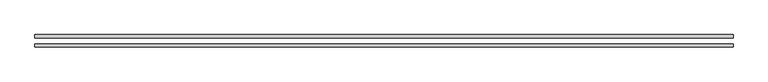
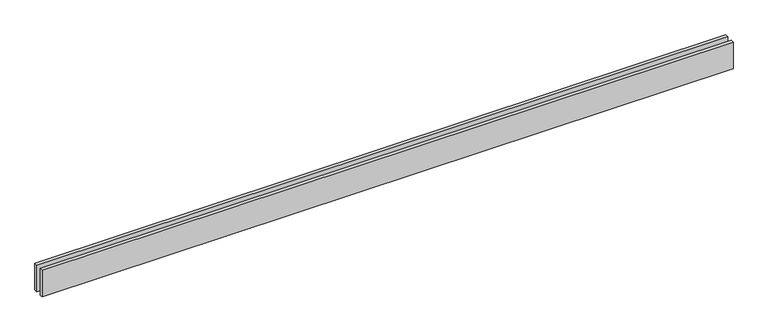
"""IFC4 building model written with IfcOpenShell, lengths in millimetres: proxy geometry."""

import ifcopenshell
import ifcopenshell.guid

model = None  # the IFC model being written
_history = None  # IfcOwnerHistory: only IFC2X3 demands one
_inside = {}  # id of a spatial element -> (the spatial element, [elements in it])
_under = {}  # id of a project, library or spatial element -> (it, [spatial elements below it])
_declared = {}  # id of a project -> (the project, [libraries it declares])
_typed = {}  # id of a type object -> (the type object, [elements of that type])
_made_of = {}  # id of a material, layer set ... -> (it, [elements and type objects made of it])


def new_model(schema):
    """Start an empty IFC model of exactly this schema.

    Asked for "IFC4X3", IfcOpenShell would pick the latest addendum, in which some entities
    have other attributes; the version numbers below select the first issue.
    IFC2X3 requires an IfcOwnerHistory on every rooted entity: one is made here for all.
    """
    global model, _history
    if schema == "IFC4X3":
        model = ifcopenshell.file(schema_version=(4, 3, 0, 0))
    else:
        model = ifcopenshell.file(schema=schema)
    _inside.clear()
    _under.clear()
    _declared.clear()
    _typed.clear()
    _made_of.clear()
    _history = None
    if model.schema == "IFC2X3":
        org = make("IfcOrganization", Name="unknown")
        user = make(
            "IfcPersonAndOrganization",
            ThePerson=make("IfcPerson", FamilyName="unknown"),
            TheOrganization=org,
        )
        app = make(
            "IfcApplication",
            ApplicationDeveloper=org,
            Version="unknown",
            ApplicationFullName="unknown",
            ApplicationIdentifier="unknown",
        )
        _history = make(
            "IfcOwnerHistory",
            OwningUser=user,
            OwningApplication=app,
            ChangeAction="ADDED",
            CreationDate=0,
        )
    return model


def make(cls, **values):
    """One entity of the class cls with the attributes given. An attribute that is None is left unset."""
    return model.create_entity(
        cls, **{name: value for name, value in values.items() if value is not None}
    )


def rooted(cls, **values):
    """An entity with a GlobalId (a new one), such as an element, a storey or a relation."""
    return make(cls, GlobalId=ifcopenshell.guid.new(), OwnerHistory=_history, **values)


def si_unit(unit_type, name, prefix=None):
    """IfcSIUnit, for example si_unit("LENGTHUNIT", "METRE", prefix="MILLI")."""
    return make("IfcSIUnit", UnitType=unit_type, Prefix=prefix, Name=name)


def assignment(units):
    """IfcUnitAssignment: the units of a project."""
    return None if units is None else make("IfcUnitAssignment", Units=units)


def point(xyz):
    """IfcCartesianPoint."""
    return None if xyz is None else make("IfcCartesianPoint", Coordinates=xyz)


def direction(xyz):
    """IfcDirection."""
    return None if xyz is None else make("IfcDirection", DirectionRatios=xyz)


def frame(location, z_axis=None, x_axis=None):
    """IfcAxis2Placement3D, a coordinate frame: its origin and axes. An axis left out is left unset."""
    return make(
        "IfcAxis2Placement3D",
        Location=point(location),
        Axis=direction(z_axis),
        RefDirection=direction(x_axis),
    )


def origin():
    """The frame at (0, 0, 0) with its axes left unset."""
    return frame((0.0, 0.0, 0.0))


def origin_with_axes():
    """The frame at (0, 0, 0) with the z axis (0, 0, 1) and the x axis (1, 0, 0) written out."""
    return frame((0.0, 0.0, 0.0), z_axis=(0.0, 0.0, 1.0), x_axis=(1.0, 0.0, 0.0))


def place(relative_to, where):
    """IfcLocalPlacement: puts the frame where relative to a parent placement (None: the world)."""
    return make(
        "IfcLocalPlacement", PlacementRelTo=relative_to, RelativePlacement=where
    )


def context(
    kind, dimensions, precision=None, world=None, true_north=None, identifier=None
):
    """IfcGeometricRepresentationContext, for example the 3D "Model" context."""
    return make(
        "IfcGeometricRepresentationContext",
        ContextIdentifier=identifier,
        ContextType=kind,
        CoordinateSpaceDimension=dimensions,
        Precision=precision,
        WorldCoordinateSystem=world,
        TrueNorth=true_north,
    )


def project(units=None, contexts=None):
    """IfcProject with its units and contexts."""
    return rooted(
        "IfcProject",
        Name="project",
        RepresentationContexts=contexts,
        UnitsInContext=assignment(units),
    )


def spatial(cls, under=None, at=None, **own):
    """A site, building, storey or space (cls), placed at a placement, below another one or the project."""
    s = rooted(cls, ObjectPlacement=at, **own)
    if under is not None:
        _under.setdefault(under.id(), (under, []))[1].append(s)
    return s


def polyline(points):
    """IfcPolyline through the points."""
    return make("IfcPolyline", Points=[point(p) for p in points])


def outline(outer, holes=None, kind="AREA"):
    """IfcArbitraryClosedProfileDef: a profile drawn as a closed curve; with holes, ...WithVoids."""
    if holes is None:
        return make("IfcArbitraryClosedProfileDef", ProfileType=kind, OuterCurve=outer)
    return make(
        "IfcArbitraryProfileDefWithVoids",
        ProfileType=kind,
        OuterCurve=outer,
        InnerCurves=holes,
    )


def extrude(swept, where, along, depth):
    """IfcExtrudedAreaSolid: the profile swept, set in the frame where, extruded along a direction by depth."""
    return make(
        "IfcExtrudedAreaSolid",
        SweptArea=swept,
        Position=where,
        ExtrudedDirection=direction(along),
        Depth=depth,
    )


def shape(context_of_items, identifier, shape_type, items):
    """IfcShapeRepresentation: the items that make up one representation, for example the "Body"."""
    return make(
        "IfcShapeRepresentation",
        ContextOfItems=context_of_items,
        RepresentationIdentifier=identifier,
        RepresentationType=shape_type,
        Items=items,
    )


def source(mapping_origin, context_of_items, identifier, shape_type, items):
    """IfcRepresentationMap: a shape defined once, which mapped items show again and again."""
    return make(
        "IfcRepresentationMap",
        MappingOrigin=mapping_origin,
        MappedRepresentation=shape(context_of_items, identifier, shape_type, items),
    )


def transform(
    local_origin,
    x_axis=None,
    y_axis=None,
    z_axis=None,
    scale=None,
    scale2=None,
    scale3=None,
    uniform=True,
):
    """IfcCartesianTransformationOperator3D, or its non-uniform kind. x_axis, y_axis, z_axis: its Axis1, 2, 3."""
    if uniform:
        return make(
            "IfcCartesianTransformationOperator3D",
            Axis1=direction(x_axis),
            Axis2=direction(y_axis),
            LocalOrigin=point(local_origin),
            Scale=scale,
            Axis3=direction(z_axis),
        )
    return make(
        "IfcCartesianTransformationOperator3DnonUniform",
        Axis1=direction(x_axis),
        Axis2=direction(y_axis),
        LocalOrigin=point(local_origin),
        Scale=scale,
        Axis3=direction(z_axis),
        Scale2=scale2,
        Scale3=scale3,
    )


def mapped(mapping_source, mapping_target):
    """IfcMappedItem: shows the shape of a source again, moved by a transform."""
    return make(
        "IfcMappedItem", MappingSource=mapping_source, MappingTarget=mapping_target
    )


def made_of(thing, what):
    """Note that an element or type object is made of a material, layer set ...; save() writes the relation."""
    if what is not None:
        _made_of.setdefault(what.id(), (what, []))[1].append(thing)
    return thing


def element(
    cls,
    number,
    at=None,
    inside=None,
    cuts=None,
    type_object=None,
    material=None,
    context=None,
    identifier="Body",
    shape_type=None,
    held_by="IfcProductDefinitionShape",
    body=None,
    shapes=None,
    **own,
):
    """One element of the class cls, such as IfcWall. Its Tag is "e" and its number.

    at: its placement. inside: the storey or other place that contains it. cuts: it is an
    opening in that element (IfcRelVoidsElement). A single representation is given by context,
    identifier, shape_type and body (its items); several are given by shapes. held_by: the class
    of the entity that holds the representations. save() writes the other relations.
    """
    e = rooted(cls, Tag="e%d" % number, ObjectPlacement=at, **own)
    if body is not None:
        shapes = [shape(context, identifier, shape_type, body)]
    if shapes is not None:
        e.Representation = make(held_by, Representations=shapes)
    if inside is not None:
        _inside.setdefault(inside.id(), (inside, []))[1].append(e)
    if cuts is not None:
        rooted(
            "IfcRelVoidsElement", RelatingBuildingElement=cuts, RelatedOpeningElement=e
        )
    if type_object is not None:
        _typed.setdefault(type_object.id(), (type_object, []))[1].append(e)
    return made_of(e, material)


def aggregate(whole, parts):
    """IfcRelAggregates: a whole, such as a stair, and the parts it consists of."""
    return rooted("IfcRelAggregates", RelatingObject=whole, RelatedObjects=parts)


def save(model, path):
    """Write the relations noted so far, then the file.

    IfcRelAggregates (storeys below a building ...), IfcRelContainedInSpatialStructure (elements
    in a storey), IfcRelDefinesByType, IfcRelAssociatesMaterial and IfcRelDeclares: one each for
    every whole, place, type object, material and project.
    """
    for whole, parts in _under.values():
        aggregate(whole, parts)
    for where, things in _inside.values():
        rooted(
            "IfcRelContainedInSpatialStructure",
            RelatedElements=things,
            RelatingStructure=where,
        )
    for kind, things in _typed.values():
        rooted("IfcRelDefinesByType", RelatedObjects=things, RelatingType=kind)
    for what, things in _made_of.values():
        rooted("IfcRelAssociatesMaterial", RelatedObjects=things, RelatingMaterial=what)
    for by, libraries in _declared.values():
        rooted("IfcRelDeclares", RelatingContext=by, RelatedDefinitions=libraries)
    model.write(path)


def generic_models_ae06a43e(model_context):
    return source(origin(), model_context, "Body", "SweptSolid", [
        extrude(outline(polyline([(6135.0, -25.0), (6135.0, -55.0), (0.0, -55.0), (0.0, -25.0), (6135.0, -25.0)])), origin_with_axes(), (0.0, 0.0, 1.0), 250.0),
        extrude(outline(polyline([(6135.0, 55.0), (6135.0, 25.0), (0.0, 25.0), (0.0, 55.0), (6135.0, 55.0)])), origin_with_axes(), (0.0, 0.0, 1.0), 250.0),
    ])


if __name__ == "__main__":
    model = new_model("IFC4")
    model_context = context("Model", 3, world=origin())
    ifc_project = project(units=[si_unit("LENGTHUNIT", "METRE", prefix="MILLI")], contexts=[model_context])
    site = spatial("IfcSite", under=ifc_project)
    building = spatial("IfcBuilding", under=site)
    placement = place(None, origin())
    generic_models_shape = generic_models_ae06a43e(model_context)
    element("IfcBuildingElementProxy", 1, Name="Generic Models", at=placement, inside=building, context=model_context, shape_type="MappedRepresentation", body=[
        mapped(generic_models_shape, transform((0.0, 0.0, 0.0), x_axis=(1.0, 0.0, 0.0), y_axis=(0.0, 1.0, 0.0), z_axis=(0.0, 0.0, 1.0))),
    ])
    save(model, "model.ifc")
